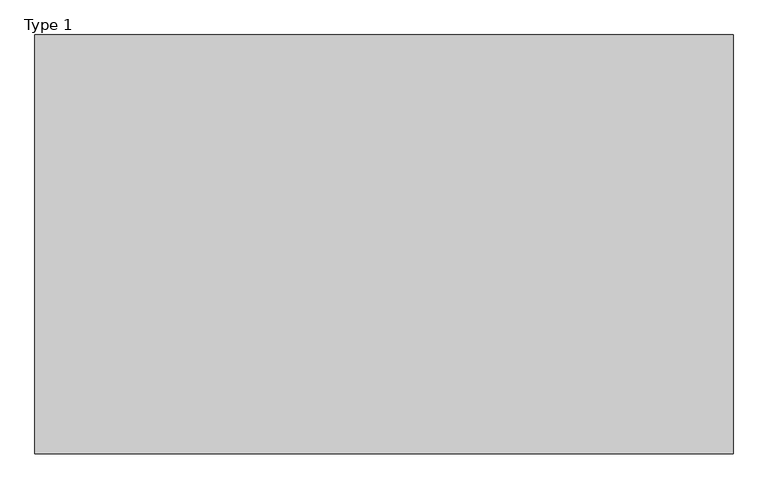
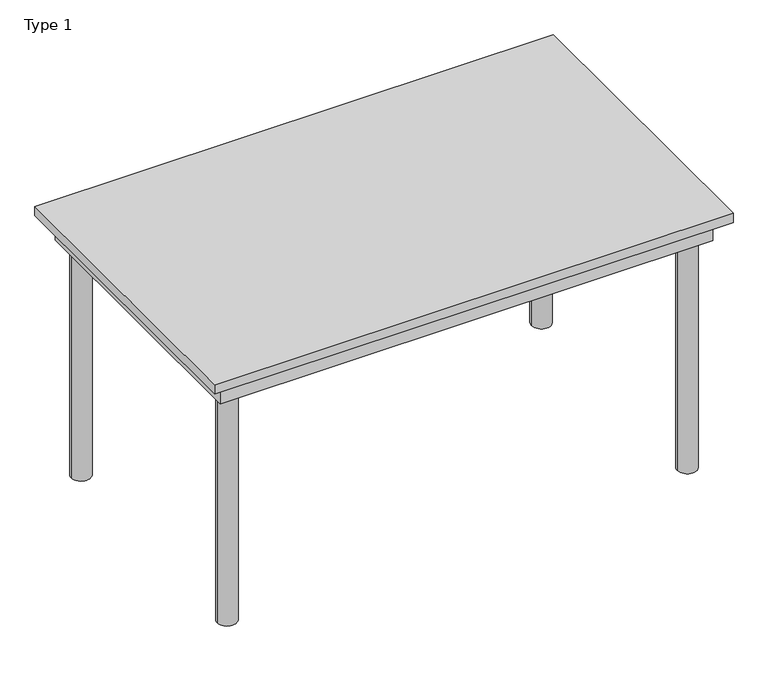
"""IFC4 building model written with IfcOpenShell, lengths in millimetres: furniture geometry, Type 1."""

from ifc_helpers import new_model, si_unit, point, frame, frame_2d, origin, origin_with_axes, place, context, project, spatial, polyline, circle_curve, trimmed, segment, composite_curve, outline, extrude, source, transform, mapped, element, save


def type_1_2f8c7eb5(model_context):
    return source(origin(), model_context, "Body", "SweptSolid", [
        extrude(outline(composite_curve([segment(trimmed(circle_curve(frame_2d((710.0, 390.0)), 30.0), [point((740.0, 390.0))], [point((680.0, 390.0))], False, "CARTESIAN"), True, "CONTINUOUS"), segment(trimmed(circle_curve(frame_2d((710.0, 390.0)), 30.0), [point((680.0, 390.0))], [point((740.0, 390.0))], False, "CARTESIAN"), True, "CONTINUOUS")], self_intersect=False)), origin_with_axes(), (0.0, 0.0, 1.0), 822.6831458),
        extrude(outline(composite_curve([segment(trimmed(circle_curve(frame_2d((710.0, -390.0)), 30.0), [point((740.0, -390.0))], [point((680.0, -390.0))], False, "CARTESIAN"), True, "CONTINUOUS"), segment(trimmed(circle_curve(frame_2d((710.0, -390.0)), 30.0), [point((680.0, -390.0))], [point((740.0, -390.0))], False, "CARTESIAN"), True, "CONTINUOUS")], self_intersect=False)), origin_with_axes(), (0.0, 0.0, 1.0), 822.6831458),
        extrude(outline(composite_curve([segment(trimmed(circle_curve(frame_2d((-710.0, -390.0)), 30.0), [point((-680.0, -390.0))], [point((-740.0, -390.0))], False, "CARTESIAN"), True, "CONTINUOUS"), segment(trimmed(circle_curve(frame_2d((-710.0, -390.0)), 30.0), [point((-740.0, -390.0))], [point((-680.0, -390.0))], False, "CARTESIAN"), True, "CONTINUOUS")], self_intersect=False)), origin_with_axes(), (0.0, 0.0, 1.0), 822.6831458),
        extrude(outline(composite_curve([segment(trimmed(circle_curve(frame_2d((-710.0, 390.0)), 30.0), [point((-680.0, 390.0))], [point((-740.0, 390.0))], False, "CARTESIAN"), True, "CONTINUOUS"), segment(trimmed(circle_curve(frame_2d((-710.0, 390.0)), 30.0), [point((-740.0, 390.0))], [point((-680.0, 390.0))], False, "CARTESIAN"), True, "CONTINUOUS")], self_intersect=False)), origin_with_axes(), (0.0, 0.0, 1.0), 822.6831458),
        extrude(outline(polyline([(760.0, 440.0), (760.0, -440.0), (-760.0, -440.0), (-760.0, 440.0), (760.0, 440.0)]), holes=[polyline([(740.0, 420.0), (-740.0, 420.0), (-740.0, -420.0), (740.0, -420.0), (740.0, 420.0)])]), frame((0.0, 0.0, 752.6831458), z_axis=(0.0, 0.0, 1.0), x_axis=(1.0, 0.0, 0.0)), (0.0, 0.0, 1.0), 70.0),
        extrude(outline(polyline([(800.0, 480.0), (800.0, -480.0), (-800.0, -480.0), (-800.0, 480.0), (800.0, 480.0)])), frame((0.0, 0.0, 822.6831458), z_axis=(0.0, 0.0, 1.0), x_axis=(1.0, 0.0, 0.0)), (0.0, 0.0, 1.0), 30.0),
    ])


if __name__ == "__main__":
    model = new_model("IFC4")
    model_context = context("Model", 3, world=origin())
    ifc_project = project(units=[si_unit("LENGTHUNIT", "METRE", prefix="MILLI")], contexts=[model_context])
    site = spatial("IfcSite", under=ifc_project)
    building = spatial("IfcBuilding", under=site)
    placement = place(None, origin())
    type_1_shape = type_1_2f8c7eb5(model_context)
    element("IfcFurniture", 1, ObjectType="Type 1", at=placement, inside=building, context=model_context, shape_type="MappedRepresentation", body=[
        mapped(type_1_shape, transform((0.0, 0.0, 0.0), x_axis=(1.0, 0.0, 0.0), y_axis=(0.0, 1.0, 0.0), z_axis=(0.0, 0.0, 1.0))),
    ])
    save(model, "model.ifc")
